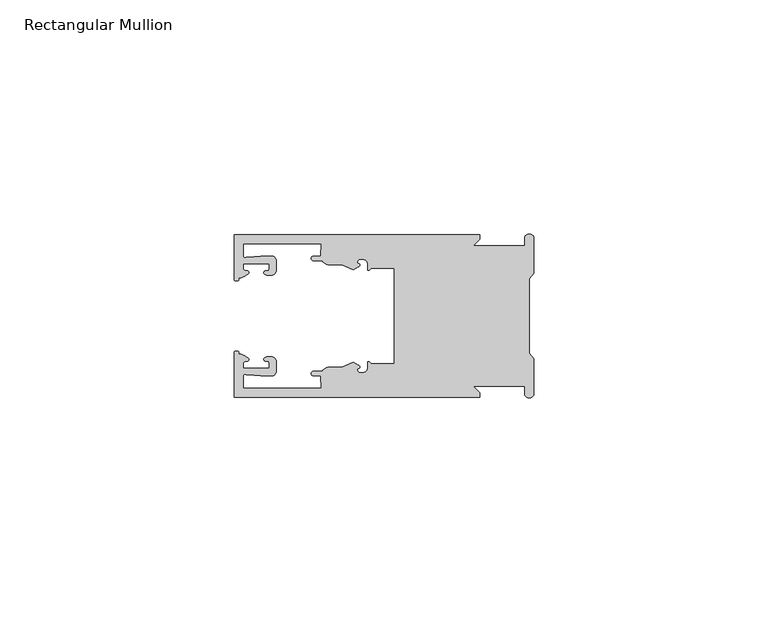
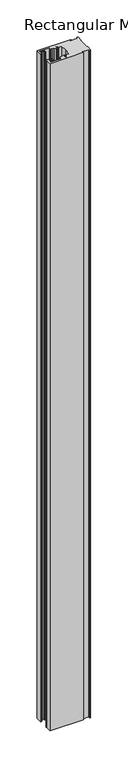
"""IFC4 building model written with IfcOpenShell, lengths in millimetres: member geometry, Rectangular Mullion."""

from ifc_helpers import new_model, si_unit, frame, origin, place, context, project, spatial, polyline, circle_curve, source, transform, mapped, element, save
from ifc_brep_helpers import plane_surface, cylinder_surface, revolved_surface, extruded_surface, spline_curve, advanced_brep


def rectangular_mullion_7c7c2dcd(model_context):
    return source(origin(), model_context, "Body", "AdvancedBrep", [
        advanced_brep(
        [(-11.5387897, 17.4000478, 0.0), (-64.0387868, 17.4000478, 0.0), (-64.0387868, 7.8350057, 0.0), (-63.2884687, 7.5412947, 0.0), (-62.4614154, 8.1921895, 0.0), (-62.0410649, 9.9426451, 0.0), (-62.0424168, 11.1926444, 0.0), (-56.54242, 11.1985924, 0.0), (-56.5410682, 9.9485931, 0.0), (-57.1085345, 8.7314723, 0.0), (-56.0397166, 8.6991345, 0.0), (-55.0407987, 9.7002154, 0.0), (-55.0430697, 11.8002142, 0.0), (-56.0446364, 12.7991315, 0.0), (-58.3650753, 12.7954945, 0.0), (-61.1340054, 12.5502269, 0.0), (-62.044093, 12.7426435, 0.0), (-62.0469668, 15.4000478, 0.0), (-45.4240312, 15.4000478, 0.0), (-45.5732135, 12.8000478, 0.0), (-47.0387868, 12.8000478, 0.0), (-47.0387868, 11.8000478, 0.0), (-45.2543363, 11.8000478, 0.0), (-43.6387868, 10.9000478, 0.0), (-41.0454034, 10.9000478, 0.0), (-38.5697136, 9.8718293, 0.0), (-37.5387868, 10.4670351, 0.0), (-37.6803436, 11.4201497, 0.0), (-37.0270763, 12.1583697, 0.0), (-36.2010815, 12.0127245, 0.0), (-35.54, 11.2248783, 0.0), (-35.54, 10.0, 0.0), (-34.7705791, 10.25, 0.0), (-29.79, 10.25, 0.0), (-29.79, 0.0, 0.0), (-29.79, -10.25, 0.0), (-34.7705791, -10.25, 0.0), (-35.54, -10.0, 0.0), (-35.54, -11.2248783, 0.0), (-36.2010815, -12.0127245, 0.0), (-37.0270763, -12.1583697, 0.0), (-37.6803436, -11.4201497, 0.0), (-37.5387868, -10.4670351, 0.0), (-38.5697136, -9.8718293, 0.0), (-41.0454034, -10.9000478, 0.0), (-43.6387868, -10.9000478, 0.0), (-45.2543363, -11.8000478, 0.0), (-47.0387868, -11.8000478, 0.0), (-47.0387868, -12.8000478, 0.0), (-45.5732135, -12.8000478, 0.0), (-45.4240312, -15.4000478, 0.0), (-62.0469668, -15.4000478, 0.0), (-62.044093, -12.7426435, 0.0), (-61.1340054, -12.5502269, 0.0), (-58.3650753, -12.7954945, 0.0), (-56.0446364, -12.7991314, 0.0), (-55.0430697, -11.8002142, 0.0), (-55.0407987, -9.7002154, 0.0), (-56.0397166, -8.6991345, 0.0), (-57.1085345, -8.7314723, 0.0), (-56.5410682, -9.9485931, 0.0), (-56.54242, -11.1985924, 0.0), (-62.0424168, -11.1926444, 0.0), (-62.0410649, -9.9426451, 0.0), (-62.4614154, -8.1921895, 0.0), (-63.2884687, -7.5412947, 0.0), (-64.0387868, -7.8350057, 0.0), (-64.0387868, -17.4000478, 0.0), (-11.5387897, -17.4000478, 0.0), (-11.5387897, -16.4000449, 0.0), (-12.9388346, -15.0, 0.0), (-2.0, -15.0, 0.0), (-2.0, -16.5, 0.0), (0.0, -16.5, 0.0), (0.0, -9.1160254, 0.0), (-1.0, -7.9613249, 0.0), (-1.0, 0.0, 0.0), (-1.0, 7.9613249, 0.0), (0.0, 9.1160254, 0.0), (0.0, 16.5, 0.0), (-2.0, 16.5, 0.0), (-2.0, 15.0, 0.0), (-12.9388346, 15.0, 0.0), (-11.5387897, 16.4000449, 0.0), (-11.5387897, 17.4000478, -1097.6799999), (-11.5387897, 16.4000449, -1097.6799999), (-12.9388346, 15.0, -1097.6799999), (-2.0, 15.0, -1097.6799999), (-2.0, 16.5, -1097.6799999), (0.0, 16.5, -1097.6799999), (0.0, 9.1160254, -1097.6799999), (-1.0, 7.9613249, -1097.6799999), (-1.0, 0.0, -1097.6799999), (-1.0, -7.9613249, -1097.6799999), (0.0, -9.1160254, -1097.6799999), (0.0, -16.5, -1097.6799999), (-2.0, -16.5, -1097.6799999), (-2.0, -15.0, -1097.6799999), (-12.9388346, -15.0, -1097.6799999), (-11.5387897, -16.4000449, -1097.6799999), (-11.5387897, -17.4000478, -1097.6799999), (-64.0387868, -17.4000478, -1097.6799999), (-64.0387868, -7.8350057, -1097.6799999), (-63.2884687, -7.5412947, -1097.6799999), (-62.4614154, -8.1921895, -1097.6799999), (-62.0410649, -9.9426451, -1097.6799999), (-62.0424168, -11.1926444, -1097.6799999), (-56.54242, -11.1985924, -1097.6799999), (-56.5410682, -9.9485931, -1097.6799999), (-57.1085345, -8.7314723, -1097.6799999), (-56.0397166, -8.6991345, -1097.6799999), (-55.0407987, -9.7002154, -1097.6799999), (-55.0430697, -11.8002142, -1097.6799999), (-56.0446364, -12.7991315, -1097.6799999), (-58.3650753, -12.7954945, -1097.6799999), (-61.1340054, -12.5502269, -1097.6799999), (-62.044093, -12.7426435, -1097.6799999), (-62.0469668, -15.4000478, -1097.6799999), (-45.4240312, -15.4000478, -1097.6799999), (-45.5732135, -12.8000478, -1097.6799999), (-47.0387868, -12.8000478, -1097.6799999), (-47.0387868, -11.8000478, -1097.6799999), (-45.2543363, -11.8000478, -1097.6799999), (-43.6387868, -10.9000478, -1097.6799999), (-41.0454034, -10.9000478, -1097.6799999), (-38.5697136, -9.8718293, -1097.6799999), (-37.5387868, -10.4670351, -1097.6799999), (-37.6803436, -11.4201497, -1097.6799999), (-37.0270763, -12.1583697, -1097.6799999), (-36.2010815, -12.0127245, -1097.6799999), (-35.54, -11.2248783, -1097.6799999), (-35.54, -10.0, -1097.6799999), (-34.7705791, -10.25, -1097.6799999), (-29.79, -10.25, -1097.6799999), (-29.79, 0.0, -1097.6799999), (-29.79, 10.25, -1097.6799999), (-34.7705791, 10.25, -1097.6799999), (-35.54, 10.0, -1097.6799999), (-35.54, 11.2248783, -1097.6799999), (-36.2010815, 12.0127245, -1097.6799999), (-37.0270763, 12.1583697, -1097.6799999), (-37.6803436, 11.4201497, -1097.6799999), (-37.5387868, 10.4670351, -1097.6799999), (-38.5697136, 9.8718293, -1097.6799999), (-41.0454034, 10.9000478, -1097.6799999), (-43.6387868, 10.9000478, -1097.6799999), (-45.2543363, 11.8000478, -1097.6799999), (-47.0387868, 11.8000478, -1097.6799999), (-47.0387868, 12.8000478, -1097.6799999), (-45.5732135, 12.8000478, -1097.6799999), (-45.4240312, 15.4000478, -1097.6799999), (-62.0469668, 15.4000478, -1097.6799999), (-62.044093, 12.7426435, -1097.6799999), (-61.1340054, 12.5502269, -1097.6799999), (-58.3650753, 12.7954945, -1097.6799999), (-56.0446364, 12.7991314, -1097.6799999), (-55.0430697, 11.8002142, -1097.6799999), (-55.0407987, 9.7002154, -1097.6799999), (-56.0397166, 8.6991345, -1097.6799999), (-57.1085345, 8.7314723, -1097.6799999), (-56.5410682, 9.9485931, -1097.6799999), (-56.54242, 11.1985924, -1097.6799999), (-62.0424168, 11.1926444, -1097.6799999), (-62.0410649, 9.9426451, -1097.6799999), (-62.4614154, 8.1921895, -1097.6799999), (-63.2884687, 7.5412947, -1097.6799999), (-64.0387868, 7.8350057, -1097.6799999), (-64.0387868, 17.4000478, -1097.6799999)],
        [
            (0, 1),
            (1, 2),
            (2, 3, spline_curve(3, [(-64.0387868, 7.8350057, 0.0), (-64.038491377, 7.561831774, 0.0), (-63.788385325, 7.463928087, 0.0), (-63.2884687, 7.5412947, 0.0)], [4, 4], [0.0, 0.0019169337574178654])),
            (3, 4, spline_curve(3, [(-63.2884687, 7.5412947, 0.0), (-63.057760917, 7.582232011, 0.0), (-63.018445067, 7.725390894, 0.0), (-63.019925494, 8.056436881, 0.0), (-63.103444208, 8.236386866, 0.0), (-62.4614154, 8.1921895, 0.0)], [4, 2, 4], [0.0, 0.0010199524164107188, 0.0024874514725970356])),
            (4, 5, spline_curve(3, [(-62.4614154, 8.1921895, 0.0), (-60.988497673, 8.880962536, 0.0), (-60.794045122, 9.192776957, 0.0), (-60.949808078, 9.57023562, 0.0), (-61.145214014, 9.682771697, 0.0), (-61.665835706, 9.714019003, 0.0), (-61.965242574, 9.660891484, 0.0), (-62.0410649, 9.9426451, 0.0)], [4, 2, 2, 4], [0.0, 0.003269869179570428, 0.005490050486237203, 0.0073545767114364426])),
            (5, 6),
            (6, 7),
            (7, 8),
            (8, 9, spline_curve(3, [(-56.5410682, 9.9485931, 0.0), (-56.634838635, 9.597117104, 0.0), (-56.904956774, 9.698238818, 0.0), (-57.324171444, 9.731086209, 0.0), (-57.45969165, 9.646199885, 0.0), (-57.729003352, 9.346016011, 0.0), (-57.859492582, 9.113082158, 0.0), (-57.1085345, 8.7314723, 0.0)], [4, 2, 2, 4], [0.0, 0.001593963049934732, 0.0033360256320283306, 0.005339140673503943])),
            (9, 10),
            (10, 11, circle_curve(frame((-56.0407981, 9.699134, 0.0), z_axis=(0.0, 0.0, 1.0), x_axis=(0.0010814451158627505, -0.9999994152380598, 0.0)), 1.0)),
            (11, 12),
            (12, 13, circle_curve(frame((-56.0430691, 11.7991327, 0.0), z_axis=(0.0, 0.0, 1.0), x_axis=(0.0010814451158627505, -0.9999994152380598, 0.0)), 1.0)),
            (13, 14),
            (14, 15),
            (15, 16, spline_curve(3, [(-61.1340054, 12.5502269, 0.0), (-61.605485428, 12.508463911, 0.0), (-61.992111419, 12.303164326, 0.0), (-62.044093, 12.7426435, 0.0)], [4, 4], [0.0, 0.0014803385355886016])),
            (16, 17),
            (17, 18),
            (18, 19),
            (19, 20),
            (20, 21, circle_curve(frame((-47.0387868, 12.3000478, 0.0), z_axis=(0.0, 0.0, 1.0), x_axis=(0.0, -1.0, 0.0)), 0.5)),
            (21, 22),
            (22, 23, circle_curve(frame((-43.6387868, 12.8000478, 0.0), z_axis=(0.0, 0.0, 1.0), x_axis=(0.0, -1.0, 0.0)), 1.9)),
            (23, 24),
            (24, 25),
            (25, 26),
            (26, 27, spline_curve(3, [(-37.5387868, 10.4670351, 0.0), (-36.973919853, 10.833863985, 0.0), (-37.198159645, 11.135696286, 0.0), (-37.587892011, 11.260246073, 0.0), (-37.754584192, 11.180452419, 0.0), (-37.6803436, 11.4201497, 0.0)], [4, 2, 4], [0.0, 0.0019283703160353726, 0.003394584635652914])),
            (27, 28, circle_curve(frame((-37.0434863, 11.5147359, 0.0), z_axis=(0.0, 0.0, -1.0), x_axis=(0.0, -1.0, 0.0)), 0.643843)),
            (28, 29),
            (29, 30, circle_curve(frame((-36.34, 11.2248783, 0.0), z_axis=(0.0, 0.0, -1.0), x_axis=(0.0, -1.0, 0.0)), 0.8)),
            (30, 31),
            (31, 32, spline_curve(3, [(-35.54, 10.0, 0.0), (-35.440000238, 9.598293201, 0.0), (-35.183526594, 9.681626535, 0.0), (-34.7705791, 10.25, 0.0)], [4, 4], [0.0, 0.0027473296990141553])),
            (32, 33),
            (33, 34),
            (34, 35),
            (35, 36),
            (36, 37, spline_curve(3, [(-34.7705791, -10.25, 0.0), (-35.183526594, -9.681626535, 0.0), (-35.440000238, -9.598293201, 0.0), (-35.54, -10.0, 0.0)], [4, 4], [0.0, 0.0027473296990141553])),
            (37, 38),
            (38, 39, circle_curve(frame((-36.34, -11.2248783, 0.0), z_axis=(0.0, 0.0, -1.0), x_axis=(0.0, 1.0, 0.0)), 0.8)),
            (39, 40),
            (40, 41, circle_curve(frame((-37.0434863, -11.5147359, 0.0), z_axis=(0.0, 0.0, -1.0), x_axis=(0.0, 1.0, 0.0)), 0.643843)),
            (41, 42, spline_curve(3, [(-37.6803436, -11.4201497, 0.0), (-37.754584192, -11.180452419, 0.0), (-37.587892011, -11.260246073, 0.0), (-37.198159645, -11.135696286, 0.0), (-36.973919853, -10.833863985, 0.0), (-37.5387868, -10.4670351, 0.0)], [4, 2, 4], [0.0, 0.0014662143196175414, 0.003394584635652914])),
            (42, 43),
            (43, 44),
            (44, 45),
            (45, 46, circle_curve(frame((-43.6387868, -12.8000478, 0.0), z_axis=(0.0, 0.0, 1.0), x_axis=(0.0, 1.0, 0.0)), 1.9)),
            (46, 47),
            (47, 48, circle_curve(frame((-47.0387868, -12.3000478, 0.0), z_axis=(0.0, 0.0, 1.0), x_axis=(0.0, 1.0, 0.0)), 0.5)),
            (48, 49),
            (49, 50),
            (50, 51),
            (51, 52),
            (52, 53, spline_curve(3, [(-62.044093, -12.7426435, 0.0), (-61.992111419, -12.303164326, 0.0), (-61.605485428, -12.508463911, 0.0), (-61.1340054, -12.5502269, 0.0)], [4, 4], [0.0, 0.0014803385355886016])),
            (53, 54),
            (54, 55),
            (55, 56, circle_curve(frame((-56.0430691, -11.7991327, 0.0), z_axis=(0.0, 0.0, 1.0), x_axis=(0.001081445115855867, 0.9999994152380598, 0.0)), 1.0)),
            (56, 57),
            (57, 58, circle_curve(frame((-56.0407981, -9.699134, 0.0), z_axis=(0.0, 0.0, 1.0), x_axis=(0.001081445115855867, 0.9999994152380598, 0.0)), 1.0)),
            (58, 59),
            (59, 60, spline_curve(3, [(-57.1085345, -8.7314723, 0.0), (-57.859492582, -9.113082158, 0.0), (-57.729003352, -9.346016011, 0.0), (-57.45969165, -9.646199885, 0.0), (-57.324171444, -9.731086209, 0.0), (-56.904956774, -9.698238818, 0.0), (-56.634838635, -9.597117104, 0.0), (-56.5410682, -9.9485931, 0.0)], [4, 2, 2, 4], [0.0, 0.002003115041475612, 0.0037451776235692107, 0.005339140673503943])),
            (60, 61),
            (61, 62),
            (62, 63),
            (63, 64, spline_curve(3, [(-62.0410649, -9.9426451, 0.0), (-61.965242574, -9.660891484, 0.0), (-61.665835706, -9.714019003, 0.0), (-61.145214014, -9.682771697, 0.0), (-60.949808078, -9.57023562, 0.0), (-60.794045122, -9.192776957, 0.0), (-60.988497673, -8.880962536, 0.0), (-62.4614154, -8.1921895, 0.0)], [4, 2, 2, 4], [0.0, 0.0018645262251992395, 0.004084707531866015, 0.0073545767114364426])),
            (64, 65, spline_curve(3, [(-62.4614154, -8.1921895, 0.0), (-63.103444208, -8.236386866, 0.0), (-63.019925494, -8.056436881, 0.0), (-63.018445067, -7.725390894, 0.0), (-63.057760917, -7.582232011, 0.0), (-63.2884687, -7.5412947, 0.0)], [4, 2, 4], [0.0, 0.0014674990561863168, 0.0024874514725970356])),
            (65, 66, spline_curve(3, [(-63.2884687, -7.5412947, 0.0), (-63.788385325, -7.463928087, 0.0), (-64.038491377, -7.561831774, 0.0), (-64.0387868, -7.8350057, 0.0)], [4, 4], [0.0, 0.0019169337574178654])),
            (66, 67),
            (67, 68),
            (68, 69),
            (69, 70),
            (70, 71),
            (71, 72),
            (72, 73, circle_curve(frame((-1.0, -16.5, 0.0), z_axis=(0.0, 0.0, 1.0), x_axis=(0.0, 1.0, 0.0)), 1.0)),
            (73, 74),
            (74, 75),
            (75, 76),
            (76, 77),
            (77, 78),
            (78, 79),
            (79, 80, circle_curve(frame((-1.0, 16.5, 0.0), z_axis=(0.0, 0.0, 1.0), x_axis=(0.0, -1.0, 0.0)), 1.0)),
            (80, 81),
            (81, 82),
            (82, 83),
            (83, 0),
            (84, 85),
            (85, 86),
            (86, 87),
            (87, 88),
            (88, 89, circle_curve(frame((-1.0, 16.5, -1097.6799999), z_axis=(0.0, 0.0, -1.0), x_axis=(0.0, -1.0, 0.0)), 1.0)),
            (89, 90),
            (90, 91),
            (91, 92),
            (92, 93),
            (93, 94),
            (94, 95),
            (95, 96, circle_curve(frame((-1.0, -16.5, -1097.6799999), z_axis=(0.0, 0.0, -1.0), x_axis=(0.0, 1.0, 0.0)), 1.0)),
            (96, 97),
            (97, 98),
            (98, 99),
            (99, 100),
            (100, 101),
            (101, 102),
            (102, 103, spline_curve(3, [(-64.0387868, -7.8350057, -1097.6799999), (-64.038491377, -7.561831774, -1097.6799999), (-63.788385325, -7.463928087, -1097.6799999), (-63.2884687, -7.5412947, -1097.6799999)], [4, 4], [0.0, 0.0019169337574178654])),
            (103, 104, spline_curve(3, [(-63.2884687, -7.5412947, -1097.6799999), (-63.057760917, -7.582232011, -1097.6799999), (-63.018445067, -7.725390894, -1097.6799999), (-63.019925494, -8.056436881, -1097.6799999), (-63.103444208, -8.236386866, -1097.6799999), (-62.4614154, -8.1921895, -1097.6799999)], [4, 2, 4], [0.0, 0.0010199524164107188, 0.0024874514725970356])),
            (104, 105, spline_curve(3, [(-62.4614154, -8.1921895, -1097.6799999), (-60.988497673, -8.880962536, -1097.6799999), (-60.794045122, -9.192776957, -1097.6799999), (-60.949808078, -9.57023562, -1097.6799999), (-61.145214014, -9.682771697, -1097.6799999), (-61.665835706, -9.714019003, -1097.6799999), (-61.965242574, -9.660891484, -1097.6799999), (-62.0410649, -9.9426451, -1097.6799999)], [4, 2, 2, 4], [0.0, 0.003269869179570428, 0.005490050486237203, 0.0073545767114364426])),
            (105, 106),
            (106, 107),
            (107, 108),
            (108, 109, spline_curve(3, [(-56.5410682, -9.9485931, -1097.6799999), (-56.634838635, -9.597117104, -1097.6799999), (-56.904956774, -9.698238818, -1097.6799999), (-57.324171444, -9.731086209, -1097.6799999), (-57.45969165, -9.646199885, -1097.6799999), (-57.729003352, -9.346016011, -1097.6799999), (-57.859492582, -9.113082158, -1097.6799999), (-57.1085345, -8.7314723, -1097.6799999)], [4, 2, 2, 4], [0.0, 0.001593963049934732, 0.0033360256320283306, 0.005339140673503943])),
            (109, 110),
            (110, 111, circle_curve(frame((-56.0407981, -9.699134, -1097.6799999), z_axis=(0.0, 0.0, -1.0), x_axis=(0.001081445115855867, 0.9999994152380598, 0.0)), 1.0)),
            (111, 112),
            (112, 113, circle_curve(frame((-56.0430691, -11.7991327, -1097.6799999), z_axis=(0.0, 0.0, -1.0), x_axis=(0.001081445115855867, 0.9999994152380598, 0.0)), 1.0)),
            (113, 114),
            (114, 115),
            (115, 116, spline_curve(3, [(-61.1340054, -12.5502269, -1097.6799999), (-61.605485428, -12.508463911, -1097.6799999), (-61.992111419, -12.303164326, -1097.6799999), (-62.044093, -12.7426435, -1097.6799999)], [4, 4], [0.0, 0.0014803385355886016])),
            (116, 117),
            (117, 118),
            (118, 119),
            (119, 120),
            (120, 121, circle_curve(frame((-47.0387868, -12.3000478, -1097.6799999), z_axis=(0.0, 0.0, -1.0), x_axis=(0.0, 1.0, 0.0)), 0.5)),
            (121, 122),
            (122, 123, circle_curve(frame((-43.6387868, -12.8000478, -1097.6799999), z_axis=(0.0, 0.0, -1.0), x_axis=(0.0, 1.0, 0.0)), 1.9)),
            (123, 124),
            (124, 125),
            (125, 126),
            (126, 127, spline_curve(3, [(-37.5387868, -10.4670351, -1097.6799999), (-36.973919853, -10.833863985, -1097.6799999), (-37.198159645, -11.135696286, -1097.6799999), (-37.587892011, -11.260246073, -1097.6799999), (-37.754584192, -11.180452419, -1097.6799999), (-37.6803436, -11.4201497, -1097.6799999)], [4, 2, 4], [0.0, 0.0019283703160353726, 0.003394584635652914])),
            (127, 128, circle_curve(frame((-37.0434863, -11.5147359, -1097.6799999), z_axis=(0.0, 0.0, 1.0), x_axis=(0.0, 1.0, 0.0)), 0.643843)),
            (128, 129),
            (129, 130, circle_curve(frame((-36.34, -11.2248783, -1097.6799999), z_axis=(0.0, 0.0, 1.0), x_axis=(0.0, 1.0, 0.0)), 0.8)),
            (130, 131),
            (131, 132, spline_curve(3, [(-35.54, -10.0, -1097.6799999), (-35.440000238, -9.598293201, -1097.6799999), (-35.183526594, -9.681626535, -1097.6799999), (-34.7705791, -10.25, -1097.6799999)], [4, 4], [0.0, 0.0027473296990141553])),
            (132, 133),
            (133, 134),
            (134, 135),
            (135, 136),
            (136, 137, spline_curve(3, [(-34.7705791, 10.25, -1097.6799999), (-35.183526594, 9.681626535, -1097.6799999), (-35.440000238, 9.598293201, -1097.6799999), (-35.54, 10.0, -1097.6799999)], [4, 4], [0.0, 0.0027473296990141553])),
            (137, 138),
            (138, 139, circle_curve(frame((-36.34, 11.2248783, -1097.6799999), z_axis=(0.0, 0.0, 1.0), x_axis=(0.0, -1.0, 0.0)), 0.8)),
            (139, 140),
            (140, 141, circle_curve(frame((-37.0434863, 11.5147359, -1097.6799999), z_axis=(0.0, 0.0, 1.0), x_axis=(0.0, -1.0, 0.0)), 0.643843)),
            (141, 142, spline_curve(3, [(-37.6803436, 11.4201497, -1097.6799999), (-37.754584192, 11.180452419, -1097.6799999), (-37.587892011, 11.260246073, -1097.6799999), (-37.198159645, 11.135696286, -1097.6799999), (-36.973919853, 10.833863985, -1097.6799999), (-37.5387868, 10.4670351, -1097.6799999)], [4, 2, 4], [0.0, 0.0014662143196175414, 0.003394584635652914])),
            (142, 143),
            (143, 144),
            (144, 145),
            (145, 146, circle_curve(frame((-43.6387868, 12.8000478, -1097.6799999), z_axis=(0.0, 0.0, -1.0), x_axis=(0.0, -1.0, 0.0)), 1.9)),
            (146, 147),
            (147, 148, circle_curve(frame((-47.0387868, 12.3000478, -1097.6799999), z_axis=(0.0, 0.0, -1.0), x_axis=(0.0, -1.0, 0.0)), 0.5)),
            (148, 149),
            (149, 150),
            (150, 151),
            (151, 152),
            (152, 153, spline_curve(3, [(-62.044093, 12.7426435, -1097.6799999), (-61.992111419, 12.303164326, -1097.6799999), (-61.605485428, 12.508463911, -1097.6799999), (-61.1340054, 12.5502269, -1097.6799999)], [4, 4], [0.0, 0.0014803385355886016])),
            (153, 154),
            (154, 155),
            (155, 156, circle_curve(frame((-56.0430691, 11.7991327, -1097.6799999), z_axis=(0.0, 0.0, -1.0), x_axis=(0.0010814451158627505, -0.9999994152380598, 0.0)), 1.0)),
            (156, 157),
            (157, 158, circle_curve(frame((-56.0407981, 9.699134, -1097.6799999), z_axis=(0.0, 0.0, -1.0), x_axis=(0.0010814451158627505, -0.9999994152380598, 0.0)), 1.0)),
            (158, 159),
            (159, 160, spline_curve(3, [(-57.1085345, 8.7314723, -1097.6799999), (-57.859492582, 9.113082158, -1097.6799999), (-57.729003352, 9.346016011, -1097.6799999), (-57.45969165, 9.646199885, -1097.6799999), (-57.324171444, 9.731086209, -1097.6799999), (-56.904956774, 9.698238818, -1097.6799999), (-56.634838635, 9.597117104, -1097.6799999), (-56.5410682, 9.9485931, -1097.6799999)], [4, 2, 2, 4], [0.0, 0.002003115041475612, 0.0037451776235692107, 0.005339140673503943])),
            (160, 161),
            (161, 162),
            (162, 163),
            (163, 164, spline_curve(3, [(-62.0410649, 9.9426451, -1097.6799999), (-61.965242574, 9.660891484, -1097.6799999), (-61.665835706, 9.714019003, -1097.6799999), (-61.145214014, 9.682771697, -1097.6799999), (-60.949808078, 9.57023562, -1097.6799999), (-60.794045122, 9.192776957, -1097.6799999), (-60.988497673, 8.880962536, -1097.6799999), (-62.4614154, 8.1921895, -1097.6799999)], [4, 2, 2, 4], [0.0, 0.0018645262251992395, 0.004084707531866015, 0.0073545767114364426])),
            (164, 165, spline_curve(3, [(-62.4614154, 8.1921895, -1097.6799999), (-63.103444208, 8.236386866, -1097.6799999), (-63.019925494, 8.056436881, -1097.6799999), (-63.018445067, 7.725390894, -1097.6799999), (-63.057760917, 7.582232011, -1097.6799999), (-63.2884687, 7.5412947, -1097.6799999)], [4, 2, 4], [0.0, 0.0014674990561863168, 0.0024874514725970356])),
            (165, 166, spline_curve(3, [(-63.2884687, 7.5412947, -1097.6799999), (-63.788385325, 7.463928087, -1097.6799999), (-64.038491377, 7.561831774, -1097.6799999), (-64.0387868, 7.8350057, -1097.6799999)], [4, 4], [0.0, 0.0019169337574178654])),
            (166, 167),
            (167, 84),
            (0, 84),
            (167, 1),
            (166, 2),
            (165, 3),
            (164, 4),
            (163, 5),
            (162, 6),
            (161, 7),
            (160, 8),
            (159, 9),
            (158, 10),
            (157, 11),
            (156, 12),
            (155, 13),
            (154, 14),
            (153, 15),
            (152, 16),
            (151, 17),
            (150, 18),
            (149, 19),
            (148, 20),
            (147, 21),
            (146, 22),
            (145, 23),
            (144, 24),
            (143, 25),
            (142, 26),
            (141, 27),
            (140, 28),
            (139, 29),
            (138, 30),
            (137, 31),
            (136, 32),
            (135, 33),
            (134, 34),
            (133, 35),
            (132, 36),
            (131, 37),
            (130, 38),
            (129, 39),
            (128, 40),
            (127, 41),
            (126, 42),
            (125, 43),
            (124, 44),
            (123, 45),
            (122, 46),
            (121, 47),
            (120, 48),
            (119, 49),
            (118, 50),
            (117, 51),
            (116, 52),
            (115, 53),
            (114, 54),
            (113, 55),
            (112, 56),
            (111, 57),
            (110, 58),
            (109, 59),
            (108, 60),
            (107, 61),
            (106, 62),
            (105, 63),
            (104, 64),
            (103, 65),
            (102, 66),
            (101, 67),
            (100, 68),
            (99, 69),
            (98, 70),
            (97, 71),
            (96, 72),
            (95, 73),
            (94, 74),
            (93, 75),
            (92, 76),
            (91, 77),
            (90, 78),
            (89, 79),
            (88, 80),
            (87, 81),
            (86, 82),
            (85, 83),
        ],
        [
            plane_surface(frame((0.0, -66.3605898, 0.0), z_axis=(0.0, 0.0, 1.0), x_axis=(-1.0, 0.0, 0.0))),
            plane_surface(frame((0.0, -66.3605898, -1097.6799999), z_axis=(0.0, 0.0, -1.0), x_axis=(-1.0, 0.0, 0.0))),
            plane_surface(frame((-11.5387897, 17.4000478, 0.0), z_axis=(0.0, 1.0, 0.0), x_axis=(0.0, 0.0, -1.0))),
            plane_surface(frame((-64.0387868, 17.4000478, 0.0), z_axis=(-1.0, 0.0, 0.0), x_axis=(0.0, 0.0, -1.0))),
            extruded_surface(spline_curve(3, [(-64.0387868, 7.8350057, -1097.6799999), (-64.038491377, 7.561831774, -1097.6799999), (-63.788385325, 7.463928087, -1097.6799999), (-63.2884687, 7.5412947, -1097.6799999)], [4, 4], [0.0, 0.0019169337574178654]), (0.0, 0.0, 1097.6799999), 1097.6799999),
            extruded_surface(spline_curve(3, [(-63.2884687, 7.5412947, -1097.6799999), (-63.057760917, 7.582232011, -1097.6799999), (-63.018445067, 7.725390894, -1097.6799999), (-63.019925494, 8.056436881, -1097.6799999), (-63.103444208, 8.236386866, -1097.6799999), (-62.4614154, 8.1921895, -1097.6799999)], [4, 2, 4], [0.0, 0.0010199524164107188, 0.0024874514725970356]), (0.0, 0.0, 1097.6799999), 1097.6799999),
            extruded_surface(spline_curve(3, [(-62.4614154, 8.1921895, -1097.6799999), (-60.988497673, 8.880962536, -1097.6799999), (-60.794045122, 9.192776957, -1097.6799999), (-60.949808078, 9.57023562, -1097.6799999), (-61.145214014, 9.682771697, -1097.6799999), (-61.665835706, 9.714019003, -1097.6799999), (-61.965242574, 9.660891484, -1097.6799999), (-62.0410649, 9.9426451, -1097.6799999)], [4, 2, 2, 4], [0.0, 0.003269869179570428, 0.005490050486237203, 0.0073545767114364426]), (0.0, 0.0, 1097.6799999), 1097.6799999),
            plane_surface(frame((-62.0410649, 9.9426451, 0.0), z_axis=(0.9999994152380598, 0.0010814451158593665, 0.0), x_axis=(0.0, 0.0, -1.0))),
            plane_surface(frame((-62.0424168, 11.1926444, 0.0), z_axis=(0.0010814451158611391, -0.9999994152380598, 0.0), x_axis=(0.0, 0.0, -1.0))),
            plane_surface(frame((-56.54242, 11.1985924, 0.0), z_axis=(-0.9999994152380598, -0.0010814451158584516, 0.0), x_axis=(0.0, 0.0, -1.0))),
            extruded_surface(spline_curve(3, [(-56.5410682, 9.9485931, -1097.6799999), (-56.634838635, 9.597117104, -1097.6799999), (-56.904956774, 9.698238818, -1097.6799999), (-57.324171444, 9.731086209, -1097.6799999), (-57.45969165, 9.646199885, -1097.6799999), (-57.729003352, 9.346016011, -1097.6799999), (-57.859492582, 9.113082158, -1097.6799999), (-57.1085345, 8.7314723, -1097.6799999)], [4, 2, 2, 4], [0.0, 0.001593963049934732, 0.0033360256320283306, 0.005339140673503943]), (0.0, 0.0, 1097.6799999), 1097.6799999),
            plane_surface(frame((-57.1085345, 8.7314723, 0.0), z_axis=(-0.030241832452869922, -0.9995426111826813, 0.0), x_axis=(0.0, 0.0, -1.0))),
            cylinder_surface(frame((-56.0407981, 9.699134, 0.0), z_axis=(0.0, 0.0, 1.0000000000000002), x_axis=(0.0010814451158627505, -0.9999994152380598, 0.0)), 1.0),
            plane_surface(frame((-55.0407987, 9.7002154, 0.0), z_axis=(0.9999994152380598, 0.001081445115858722, 0.0), x_axis=(0.0, 0.0, -1.0))),
            cylinder_surface(frame((-56.0430691, 11.7991327, 0.0), z_axis=(0.0, 0.0, 1.0000000000000002), x_axis=(0.0010814451158627505, -0.9999994152380598, 0.0)), 1.0),
            plane_surface(frame((-56.0446364, 12.7991314, 0.0), z_axis=(-0.0015673183327907744, 0.9999987717558677, 0.0), x_axis=(0.0, 0.0, -1.0))),
            plane_surface(frame((-58.3650753, 12.7954945, 0.0), z_axis=(-0.08823302167299531, 0.9960998614026874, 0.0), x_axis=(0.0, 0.0, -1.0))),
            extruded_surface(spline_curve(3, [(-61.1340054, 12.5502269, -1097.6799999), (-61.605485428, 12.508463911, -1097.6799999), (-61.992111419, 12.303164326, -1097.6799999), (-62.044093, 12.7426435, -1097.6799999)], [4, 4], [0.0, 0.0014803385355886016]), (0.0, 0.0, 1097.6799999), 1097.6799999),
            plane_surface(frame((-62.044093, 12.7426435, 0.0), z_axis=(0.9999994152380598, 0.0010814451158597813, 0.0), x_axis=(0.0, 0.0, -1.0))),
            plane_surface(frame((-62.0469668, 15.4000478, 0.0), z_axis=(0.0, -1.0, 0.0), x_axis=(0.0, 0.0, -1.0))),
            plane_surface(frame((-45.4240312, 15.4000478, 0.0), z_axis=(-0.9983579461523547, 0.05728360458675776, 0.0), x_axis=(0.0, 0.0, -1.0))),
            plane_surface(frame((-45.5732135, 12.8000478, 0.0), z_axis=(0.0, 1.0, 0.0), x_axis=(0.0, 0.0, -1.0))),
            cylinder_surface(frame((-47.0387868, 12.3000478, 0.0), z_axis=(0.0, 0.0, 1.0), x_axis=(0.0, -1.0, 0.0)), 0.5),
            plane_surface(frame((-47.0387868, 11.8000478, 0.0), z_axis=(0.0, -1.0, 0.0), x_axis=(0.0, 0.0, -1.0))),
            cylinder_surface(frame((-43.6387868, 12.8000478, 0.0), z_axis=(0.0, 0.0, 1.0), x_axis=(0.0, -1.0, 0.0)), 1.9),
            plane_surface(frame((-43.6387868, 10.9000478, 0.0), z_axis=(0.0, -1.0, 0.0), x_axis=(0.0, 0.0, -1.0))),
            plane_surface(frame((-41.0454034, 10.9000478, 0.0), z_axis=(-0.3835602140750569, -0.9235158700199453, 0.0), x_axis=(0.0, 0.0, -1.0))),
            plane_surface(frame((-38.5697136, 9.8718293, 0.0), z_axis=(0.5000000000252295, -0.8660254037698725, 0.0), x_axis=(0.0, 0.0, -1.0))),
            extruded_surface(spline_curve(3, [(-37.5387868, 10.4670351, -1097.6799999), (-36.973919853, 10.833863985, -1097.6799999), (-37.198159645, 11.135696286, -1097.6799999), (-37.587892011, 11.260246073, -1097.6799999), (-37.754584192, 11.180452419, -1097.6799999), (-37.6803436, 11.4201497, -1097.6799999)], [4, 2, 4], [0.0, 0.0019283703160353726, 0.003394584635652914]), (0.0, 0.0, 1097.6799999), 1097.6799999),
            revolved_surface(polyline([(-37.0434863, 10.8708929, -1097.6799999), (-37.0434863, 10.8708929, 0.0)]), (-37.0434863, 11.5147359, 0.0), (0.0, 0.0, -1.0)),
            plane_surface(frame((-37.0270763, 12.1583697, 0.0), z_axis=(-0.17364817767050408, -0.984807753011578, 0.0), x_axis=(0.0, 0.0, -1.0))),
            revolved_surface(polyline([(-36.34, 10.4248783, -1097.6799999), (-36.34, 10.4248783, 0.0)]), (-36.34, 11.2248783, 0.0), (0.0, 0.0, -1.0)),
            plane_surface(frame((-35.54, 11.2248783, 0.0), z_axis=(-1.0, 0.0, 0.0), x_axis=(0.0, 0.0, -1.0))),
            extruded_surface(spline_curve(3, [(-35.54, 10.0, -1097.6799999), (-35.440000238, 9.598293201, -1097.6799999), (-35.183526594, 9.681626535, -1097.6799999), (-34.7705791, 10.25, -1097.6799999)], [4, 4], [0.0, 0.0027473296990141553]), (0.0, 0.0, 1097.6799999), 1097.6799999),
            plane_surface(frame((-34.7705791, 10.25, 0.0), z_axis=(0.0, -1.0, 0.0), x_axis=(0.0, 0.0, -1.0))),
            plane_surface(frame((-29.79, 10.25, 0.0), z_axis=(-1.0, 0.0, 0.0), x_axis=(0.0, 0.0, -1.0))),
            plane_surface(frame((-29.79, 0.0, 0.0), z_axis=(-1.0, 0.0, 0.0), x_axis=(0.0, 0.0, -1.0))),
            plane_surface(frame((-29.79, -10.25, 0.0), z_axis=(0.0, 1.0, 0.0), x_axis=(0.0, 0.0, -1.0))),
            extruded_surface(spline_curve(3, [(-34.7705791, -10.25, -1097.6799999), (-35.183526594, -9.681626535, -1097.6799999), (-35.440000238, -9.598293201, -1097.6799999), (-35.54, -10.0, -1097.6799999)], [4, 4], [0.0, 0.0027473296990141553]), (0.0, 0.0, 1097.6799999), 1097.6799999),
            plane_surface(frame((-35.54, -10.0, 0.0), z_axis=(-1.0, 0.0, 0.0), x_axis=(0.0, 0.0, -1.0))),
            revolved_surface(polyline([(-36.34, -10.4248783, -1097.6799999), (-36.34, -10.4248783, 0.0)]), (-36.34, -11.2248783, 0.0), (0.0, 0.0, -1.0)),
            plane_surface(frame((-36.2010815, -12.0127245, 0.0), z_axis=(-0.17364817767051083, 0.9848077530115767, 0.0), x_axis=(0.0, 0.0, -1.0))),
            revolved_surface(polyline([(-37.0434863, -10.8708929, -1097.6799999), (-37.0434863, -10.8708929, 0.0)]), (-37.0434863, -11.5147359, 0.0), (0.0, 0.0, -1.0)),
            extruded_surface(spline_curve(3, [(-37.6803436, -11.4201497, -1097.6799999), (-37.754584192, -11.180452419, -1097.6799999), (-37.587892011, -11.260246073, -1097.6799999), (-37.198159645, -11.135696286, -1097.6799999), (-36.973919853, -10.833863985, -1097.6799999), (-37.5387868, -10.4670351, -1097.6799999)], [4, 2, 4], [0.0, 0.0014662143196175414, 0.003394584635652914]), (0.0, 0.0, 1097.6799999), 1097.6799999),
            plane_surface(frame((-37.5387868, -10.4670351, 0.0), z_axis=(0.5000000000252234, 0.8660254037698759, 0.0), x_axis=(0.0, 0.0, -1.0))),
            plane_surface(frame((-38.5697136, -9.8718293, 0.0), z_axis=(-0.38356021407506324, 0.9235158700199426, 0.0), x_axis=(0.0, 0.0, -1.0))),
            plane_surface(frame((-41.0454034, -10.9000478, 0.0), z_axis=(0.0, 1.0, 0.0), x_axis=(0.0, 0.0, -1.0))),
            cylinder_surface(frame((-43.6387868, -12.8000478, 0.0), z_axis=(0.0, 0.0, 1.0), x_axis=(0.0, 1.0, 0.0)), 1.9),
            plane_surface(frame((-45.2543363, -11.8000478, 0.0), z_axis=(0.0, 1.0, 0.0), x_axis=(0.0, 0.0, -1.0))),
            cylinder_surface(frame((-47.0387868, -12.3000478, 0.0), z_axis=(0.0, 0.0, 1.0), x_axis=(0.0, 1.0, 0.0)), 0.5),
            plane_surface(frame((-47.0387868, -12.8000478, 0.0), z_axis=(0.0, -1.0, 0.0), x_axis=(0.0, 0.0, -1.0))),
            plane_surface(frame((-45.5732135, -12.8000478, 0.0), z_axis=(-0.9983579461523543, -0.05728360458676463, 0.0), x_axis=(0.0, 0.0, -1.0))),
            plane_surface(frame((-45.4240312, -15.4000478, 0.0), z_axis=(0.0, 1.0, 0.0), x_axis=(0.0, 0.0, -1.0))),
            plane_surface(frame((-62.0469668, -15.4000478, 0.0), z_axis=(0.9999994152380598, -0.001081445115852898, 0.0), x_axis=(0.0, 0.0, -1.0))),
            extruded_surface(spline_curve(3, [(-62.044093, -12.7426435, -1097.6799999), (-61.992111419, -12.303164326, -1097.6799999), (-61.605485428, -12.508463911, -1097.6799999), (-61.1340054, -12.5502269, -1097.6799999)], [4, 4], [0.0, 0.0014803385355886016]), (0.0, 0.0, 1097.6799999), 1097.6799999),
            plane_surface(frame((-61.1340054, -12.5502269, 0.0), z_axis=(-0.08823302167298844, -0.9960998614026879, 0.0), x_axis=(0.0, 0.0, -1.0))),
            plane_surface(frame((-58.3650753, -12.7954945, 0.0), z_axis=(-0.001567318332783891, -0.9999987717558677, 0.0), x_axis=(0.0, 0.0, -1.0))),
            cylinder_surface(frame((-56.0430691, -11.7991327, 0.0), z_axis=(0.0, 0.0, 1.0000000000000002), x_axis=(0.001081445115855867, 0.9999994152380598, 0.0)), 1.0),
            plane_surface(frame((-55.0430697, -11.8002142, 0.0), z_axis=(0.9999994152380598, -0.0010814451158518386, 0.0), x_axis=(0.0, 0.0, -1.0))),
            cylinder_surface(frame((-56.0407981, -9.699134, 0.0), z_axis=(0.0, 0.0, 1.0000000000000002), x_axis=(0.001081445115855867, 0.9999994152380598, 0.0)), 1.0),
            plane_surface(frame((-56.0397166, -8.6991345, 0.0), z_axis=(-0.030241832452876805, 0.9995426111826811, 0.0), x_axis=(0.0, 0.0, -1.0))),
            extruded_surface(spline_curve(3, [(-57.1085345, -8.7314723, -1097.6799999), (-57.859492582, -9.113082158, -1097.6799999), (-57.729003352, -9.346016011, -1097.6799999), (-57.45969165, -9.646199885, -1097.6799999), (-57.324171444, -9.731086209, -1097.6799999), (-56.904956774, -9.698238818, -1097.6799999), (-56.634838635, -9.597117104, -1097.6799999), (-56.5410682, -9.9485931, -1097.6799999)], [4, 2, 2, 4], [0.0, 0.002003115041475612, 0.0037451776235692107, 0.005339140673503943]), (0.0, 0.0, 1097.6799999), 1097.6799999),
            plane_surface(frame((-56.5410682, -9.9485931, 0.0), z_axis=(-0.9999994152380598, 0.0010814451158515682, 0.0), x_axis=(0.0, 0.0, -1.0))),
            plane_surface(frame((-56.54242, -11.1985924, 0.0), z_axis=(0.0010814451158542558, 0.9999994152380598, 0.0), x_axis=(0.0, 0.0, -1.0))),
            plane_surface(frame((-62.0424168, -11.1926444, 0.0), z_axis=(0.9999994152380598, -0.001081445115852483, 0.0), x_axis=(0.0, 0.0, -1.0))),
            extruded_surface(spline_curve(3, [(-62.0410649, -9.9426451, -1097.6799999), (-61.965242574, -9.660891484, -1097.6799999), (-61.665835706, -9.714019003, -1097.6799999), (-61.145214014, -9.682771697, -1097.6799999), (-60.949808078, -9.57023562, -1097.6799999), (-60.794045122, -9.192776957, -1097.6799999), (-60.988497673, -8.880962536, -1097.6799999), (-62.4614154, -8.1921895, -1097.6799999)], [4, 2, 2, 4], [0.0, 0.0018645262251992395, 0.004084707531866015, 0.0073545767114364426]), (0.0, 0.0, 1097.6799999), 1097.6799999),
            extruded_surface(spline_curve(3, [(-62.4614154, -8.1921895, -1097.6799999), (-63.103444208, -8.236386866, -1097.6799999), (-63.019925494, -8.056436881, -1097.6799999), (-63.018445067, -7.725390894, -1097.6799999), (-63.057760917, -7.582232011, -1097.6799999), (-63.2884687, -7.5412947, -1097.6799999)], [4, 2, 4], [0.0, 0.0014674990561863168, 0.0024874514725970356]), (0.0, 0.0, 1097.6799999), 1097.6799999),
            extruded_surface(spline_curve(3, [(-63.2884687, -7.5412947, -1097.6799999), (-63.788385325, -7.463928087, -1097.6799999), (-64.038491377, -7.561831774, -1097.6799999), (-64.0387868, -7.8350057, -1097.6799999)], [4, 4], [0.0, 0.0019169337574178654]), (0.0, 0.0, 1097.6799999), 1097.6799999),
            plane_surface(frame((-64.0387868, -7.8350057, 0.0), z_axis=(-1.0, 0.0, 0.0), x_axis=(0.0, 0.0, -1.0))),
            plane_surface(frame((-64.0387868, -17.4000478, 0.0), z_axis=(0.0, -1.0, 0.0), x_axis=(0.0, 0.0, -1.0))),
            plane_surface(frame((-11.5387897, -17.4000478, 0.0), z_axis=(1.0, 0.0, 0.0), x_axis=(0.0, 0.0, -1.0))),
            plane_surface(frame((-11.5387897, -16.4000449, 0.0), z_axis=(0.7071067811865457, 0.7071067811865493, 0.0), x_axis=(0.0, 0.0, -1.0))),
            plane_surface(frame((-12.9388346, -15.0, 0.0), z_axis=(0.0, -1.0, 0.0), x_axis=(0.0, 0.0, -1.0))),
            plane_surface(frame((-2.0, -15.0, 0.0), z_axis=(-1.0, 0.0, 0.0), x_axis=(0.0, 0.0, -1.0))),
            cylinder_surface(frame((-1.0, -16.5, 0.0), z_axis=(0.0, 0.0, 1.0), x_axis=(0.0, 1.0, 0.0)), 1.0),
            plane_surface(frame((0.0, -16.5, 0.0), z_axis=(1.0, 0.0, 0.0), x_axis=(0.0, 0.0, -1.0))),
            plane_surface(frame((0.0, -9.1160254, 0.0), z_axis=(0.7559289460231527, 0.6546536707025522, 0.0), x_axis=(0.0, 0.0, -1.0))),
            plane_surface(frame((-1.0, -7.9613249, 0.0), z_axis=(1.0, 0.0, 0.0), x_axis=(0.0, 0.0, -1.0))),
            plane_surface(frame((-1.0, 0.0, 0.0), z_axis=(1.0, 0.0, 0.0), x_axis=(0.0, 0.0, -1.0))),
            plane_surface(frame((-1.0, 7.9613249, 0.0), z_axis=(0.7559289460231571, -0.654653670702547, 0.0), x_axis=(0.0, 0.0, -1.0))),
            plane_surface(frame((0.0, 9.1160254, 0.0), z_axis=(1.0, 0.0, 0.0), x_axis=(0.0, 0.0, -1.0))),
            cylinder_surface(frame((-1.0, 16.5, 0.0), z_axis=(0.0, 0.0, 1.0), x_axis=(0.0, -1.0, 0.0)), 1.0),
            plane_surface(frame((-2.0, 16.5, 0.0), z_axis=(-1.0, 0.0, 0.0), x_axis=(0.0, 0.0, -1.0))),
            plane_surface(frame((-2.0, 15.0, 0.0), z_axis=(0.0, 1.0, 0.0), x_axis=(0.0, 0.0, -1.0))),
            plane_surface(frame((-12.9388346, 15.0, 0.0), z_axis=(0.7071067811865507, -0.7071067811865446, 0.0), x_axis=(0.0, 0.0, -1.0))),
            plane_surface(frame((-11.5387897, 16.4000449, 0.0), z_axis=(1.0, 0.0, 0.0), x_axis=(0.0, 0.0, -1.0))),
        ],
        [
            (0, [[1, 2, 3, 4, 5, 6, 7, 8, 9, 10, 11, 12, 13, 14, 15, 16, 17, 18, 19, 20, 21, 22, 23, 24, 25, 26, 27, 28, 29, 30, 31, 32, 33, 34, 35, 36, 37, 38, 39, 40, 41, 42, 43, 44, 45, 46, 47, 48, 49, 50, 51, 52, 53, 54, 55, 56, 57, 58, 59, 60, 61, 62, 63, 64, 65, 66, 67, 68, 69, 70, 71, 72, 73, 74, 75, 76, 77, 78, 79, 80, 81, 82, 83, 84]]),
            (1, [[85, 86, 87, 88, 89, 90, 91, 92, 93, 94, 95, 96, 97, 98, 99, 100, 101, 102, 103, 104, 105, 106, 107, 108, 109, 110, 111, 112, 113, 114, 115, 116, 117, 118, 119, 120, 121, 122, 123, 124, 125, 126, 127, 128, 129, 130, 131, 132, 133, 134, 135, 136, 137, 138, 139, 140, 141, 142, 143, 144, 145, 146, 147, 148, 149, 150, 151, 152, 153, 154, 155, 156, 157, 158, 159, 160, 161, 162, 163, 164, 165, 166, 167, 168]]),
            (2, [[-1, 169, -168, 170]]),
            (3, [[-2, -170, -167, 171]]),
            (4, [[-3, -171, -166, 172]]),
            (5, [[-4, -172, -165, 173]]),
            (6, [[-5, -173, -164, 174]]),
            (7, [[-6, -174, -163, 175]]),
            (8, [[-7, -175, -162, 176]]),
            (9, [[-8, -176, -161, 177]]),
            (10, [[-9, -177, -160, 178]]),
            (11, [[-10, -178, -159, 179]]),
            (12, [[-11, -179, -158, 180]]),
            (13, [[-12, -180, -157, 181]]),
            (14, [[-13, -181, -156, 182]]),
            (15, [[-14, -182, -155, 183]]),
            (16, [[-15, -183, -154, 184]]),
            (17, [[-16, -184, -153, 185]]),
            (18, [[-17, -185, -152, 186]]),
            (19, [[-18, -186, -151, 187]]),
            (20, [[-19, -187, -150, 188]]),
            (21, [[-20, -188, -149, 189]]),
            (22, [[-21, -189, -148, 190]]),
            (23, [[-22, -190, -147, 191]]),
            (24, [[-23, -191, -146, 192]]),
            (25, [[-24, -192, -145, 193]]),
            (26, [[-25, -193, -144, 194]]),
            (27, [[-26, -194, -143, 195]]),
            (28, [[-27, -195, -142, 196]]),
            (29, [[-28, -196, -141, 197]]),
            (30, [[-29, -197, -140, 198]]),
            (31, [[-30, -198, -139, 199]]),
            (32, [[-31, -199, -138, 200]]),
            (33, [[-32, -200, -137, 201]]),
            (34, [[-33, -201, -136, 202]]),
            (35, [[-34, -202, -135, 203]]),
            (36, [[-35, -203, -134, 204]]),
            (37, [[-36, -204, -133, 205]]),
            (38, [[-37, -205, -132, 206]]),
            (39, [[-38, -206, -131, 207]]),
            (40, [[-39, -207, -130, 208]]),
            (41, [[-40, -208, -129, 209]]),
            (42, [[-41, -209, -128, 210]]),
            (43, [[-42, -210, -127, 211]]),
            (44, [[-43, -211, -126, 212]]),
            (45, [[-44, -212, -125, 213]]),
            (46, [[-45, -213, -124, 214]]),
            (47, [[-46, -214, -123, 215]]),
            (48, [[-47, -215, -122, 216]]),
            (49, [[-48, -216, -121, 217]]),
            (50, [[-49, -217, -120, 218]]),
            (51, [[-50, -218, -119, 219]]),
            (52, [[-51, -219, -118, 220]]),
            (53, [[-52, -220, -117, 221]]),
            (54, [[-53, -221, -116, 222]]),
            (55, [[-54, -222, -115, 223]]),
            (56, [[-55, -223, -114, 224]]),
            (57, [[-56, -224, -113, 225]]),
            (58, [[-57, -225, -112, 226]]),
            (59, [[-58, -226, -111, 227]]),
            (60, [[-59, -227, -110, 228]]),
            (61, [[-60, -228, -109, 229]]),
            (62, [[-61, -229, -108, 230]]),
            (63, [[-62, -230, -107, 231]]),
            (64, [[-63, -231, -106, 232]]),
            (65, [[-64, -232, -105, 233]]),
            (66, [[-65, -233, -104, 234]]),
            (67, [[-66, -234, -103, 235]]),
            (68, [[-67, -235, -102, 236]]),
            (69, [[-68, -236, -101, 237]]),
            (70, [[-69, -237, -100, 238]]),
            (71, [[-70, -238, -99, 239]]),
            (72, [[-71, -239, -98, 240]]),
            (73, [[-72, -240, -97, 241]]),
            (74, [[-73, -241, -96, 242]]),
            (75, [[-74, -242, -95, 243]]),
            (76, [[-75, -243, -94, 244]]),
            (77, [[-76, -244, -93, 245]]),
            (78, [[-77, -245, -92, 246]]),
            (79, [[-78, -246, -91, 247]]),
            (80, [[-79, -247, -90, 248]]),
            (81, [[-80, -248, -89, 249]]),
            (82, [[-81, -249, -88, 250]]),
            (83, [[-82, -250, -87, 251]]),
            (84, [[-83, -251, -86, 252]]),
            (85, [[-84, -252, -85, -169]]),
        ],
    ),
    ])


if __name__ == "__main__":
    model = new_model("IFC4")
    model_context = context("Model", 3, world=origin())
    ifc_project = project(units=[si_unit("LENGTHUNIT", "METRE", prefix="MILLI")], contexts=[model_context])
    site = spatial("IfcSite", under=ifc_project)
    building = spatial("IfcBuilding", under=site)
    placement = place(None, origin())
    rectangular_mullion_shape = rectangular_mullion_7c7c2dcd(model_context)
    element("IfcMember", 1, ObjectType="Rectangular Mullion", at=placement, inside=building, context=model_context, shape_type="MappedRepresentation", body=[
        mapped(rectangular_mullion_shape, transform((0.0, 0.0, 0.0), x_axis=(1.0, 0.0, 0.0), y_axis=(0.0, 1.0, 0.0), z_axis=(0.0, 0.0, 1.0))),
    ])
    save(model, "model.ifc")
